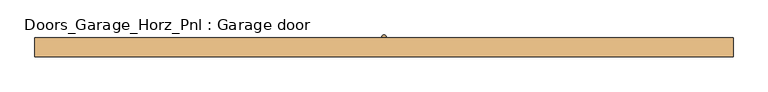
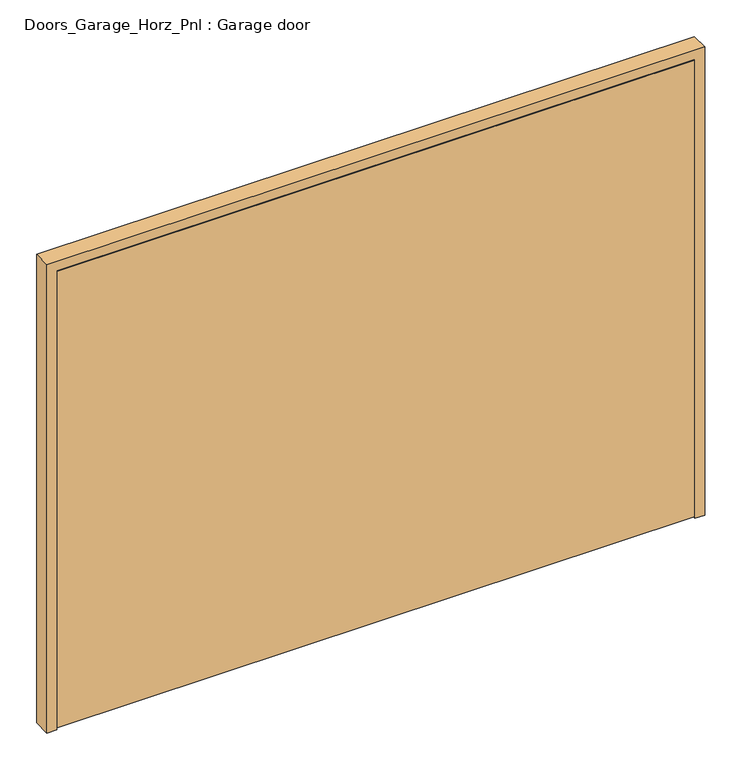
"""IFC4 building model written with IfcOpenShell, lengths in millimetres: door geometry, Doors_Garage_Horz_Pnl : Garage door."""

import ifcopenshell
import ifcopenshell.guid

model = None  # the IFC model being written
_history = None  # IfcOwnerHistory: only IFC2X3 demands one
_inside = {}  # id of a spatial element -> (the spatial element, [elements in it])
_under = {}  # id of a project, library or spatial element -> (it, [spatial elements below it])
_declared = {}  # id of a project -> (the project, [libraries it declares])
_typed = {}  # id of a type object -> (the type object, [elements of that type])
_made_of = {}  # id of a material, layer set ... -> (it, [elements and type objects made of it])


def new_model(schema):
    """Start an empty IFC model of exactly this schema.

    Asked for "IFC4X3", IfcOpenShell would pick the latest addendum, in which some entities
    have other attributes; the version numbers below select the first issue.
    IFC2X3 requires an IfcOwnerHistory on every rooted entity: one is made here for all.
    """
    global model, _history
    if schema == "IFC4X3":
        model = ifcopenshell.file(schema_version=(4, 3, 0, 0))
    else:
        model = ifcopenshell.file(schema=schema)
    _inside.clear()
    _under.clear()
    _declared.clear()
    _typed.clear()
    _made_of.clear()
    _history = None
    if model.schema == "IFC2X3":
        org = make("IfcOrganization", Name="unknown")
        user = make(
            "IfcPersonAndOrganization",
            ThePerson=make("IfcPerson", FamilyName="unknown"),
            TheOrganization=org,
        )
        app = make(
            "IfcApplication",
            ApplicationDeveloper=org,
            Version="unknown",
            ApplicationFullName="unknown",
            ApplicationIdentifier="unknown",
        )
        _history = make(
            "IfcOwnerHistory",
            OwningUser=user,
            OwningApplication=app,
            ChangeAction="ADDED",
            CreationDate=0,
        )
    return model


def make(cls, **values):
    """One entity of the class cls with the attributes given. An attribute that is None is left unset."""
    return model.create_entity(
        cls, **{name: value for name, value in values.items() if value is not None}
    )


def rooted(cls, **values):
    """An entity with a GlobalId (a new one), such as an element, a storey or a relation."""
    return make(cls, GlobalId=ifcopenshell.guid.new(), OwnerHistory=_history, **values)


def si_unit(unit_type, name, prefix=None):
    """IfcSIUnit, for example si_unit("LENGTHUNIT", "METRE", prefix="MILLI")."""
    return make("IfcSIUnit", UnitType=unit_type, Prefix=prefix, Name=name)


def assignment(units):
    """IfcUnitAssignment: the units of a project."""
    return None if units is None else make("IfcUnitAssignment", Units=units)


def point(xyz):
    """IfcCartesianPoint."""
    return None if xyz is None else make("IfcCartesianPoint", Coordinates=xyz)


def direction(xyz):
    """IfcDirection."""
    return None if xyz is None else make("IfcDirection", DirectionRatios=xyz)


def frame(location, z_axis=None, x_axis=None):
    """IfcAxis2Placement3D, a coordinate frame: its origin and axes. An axis left out is left unset."""
    return make(
        "IfcAxis2Placement3D",
        Location=point(location),
        Axis=direction(z_axis),
        RefDirection=direction(x_axis),
    )


def frame_2d(location, x_axis=None):
    """IfcAxis2Placement2D, a coordinate frame in the plane: its origin and x axis."""
    return make(
        "IfcAxis2Placement2D", Location=point(location), RefDirection=direction(x_axis)
    )


def origin():
    """The frame at (0, 0, 0) with its axes left unset."""
    return frame((0.0, 0.0, 0.0))


def place(relative_to, where):
    """IfcLocalPlacement: puts the frame where relative to a parent placement (None: the world)."""
    return make(
        "IfcLocalPlacement", PlacementRelTo=relative_to, RelativePlacement=where
    )


def context(
    kind, dimensions, precision=None, world=None, true_north=None, identifier=None
):
    """IfcGeometricRepresentationContext, for example the 3D "Model" context."""
    return make(
        "IfcGeometricRepresentationContext",
        ContextIdentifier=identifier,
        ContextType=kind,
        CoordinateSpaceDimension=dimensions,
        Precision=precision,
        WorldCoordinateSystem=world,
        TrueNorth=true_north,
    )


def project(units=None, contexts=None):
    """IfcProject with its units and contexts."""
    return rooted(
        "IfcProject",
        Name="project",
        RepresentationContexts=contexts,
        UnitsInContext=assignment(units),
    )


def spatial(cls, under=None, at=None, **own):
    """A site, building, storey or space (cls), placed at a placement, below another one or the project."""
    s = rooted(cls, ObjectPlacement=at, **own)
    if under is not None:
        _under.setdefault(under.id(), (under, []))[1].append(s)
    return s


def polyline(points):
    """IfcPolyline through the points."""
    return make("IfcPolyline", Points=[point(p) for p in points])


def circle_curve(where, radius):
    """IfcCircle in the frame where."""
    return make("IfcCircle", Position=where, Radius=radius)


def ellipse_curve(where, semi_axis1, semi_axis2):
    """IfcEllipse in the frame where."""
    return make(
        "IfcEllipse", Position=where, SemiAxis1=semi_axis1, SemiAxis2=semi_axis2
    )


def trimmed(basis, trim1, trim2, sense, master):
    """IfcTrimmedCurve: the piece of a basis curve between two trims."""
    return make(
        "IfcTrimmedCurve",
        BasisCurve=basis,
        Trim1=trim1,
        Trim2=trim2,
        SenseAgreement=sense,
        MasterRepresentation=master,
    )


def segment(curve, same_sense, transition):
    """IfcCompositeCurveSegment."""
    return make(
        "IfcCompositeCurveSegment",
        Transition=transition,
        SameSense=same_sense,
        ParentCurve=curve,
    )


def composite_curve(segments, self_intersect=None):
    """IfcCompositeCurve: segments joined end to end."""
    return make("IfcCompositeCurve", Segments=segments, SelfIntersect=self_intersect)


def outline(outer, holes=None, kind="AREA"):
    """IfcArbitraryClosedProfileDef: a profile drawn as a closed curve; with holes, ...WithVoids."""
    if holes is None:
        return make("IfcArbitraryClosedProfileDef", ProfileType=kind, OuterCurve=outer)
    return make(
        "IfcArbitraryProfileDefWithVoids",
        ProfileType=kind,
        OuterCurve=outer,
        InnerCurves=holes,
    )


def extrude(swept, where, along, depth):
    """IfcExtrudedAreaSolid: the profile swept, set in the frame where, extruded along a direction by depth."""
    return make(
        "IfcExtrudedAreaSolid",
        SweptArea=swept,
        Position=where,
        ExtrudedDirection=direction(along),
        Depth=depth,
    )


def faces_of(points, faces, orient=None, outer=None):
    """IfcFace entities. A face is a list of loops; a loop is a list of indices into points, from 0.

    orient and outer hold one flag for each loop. By default every Orientation is true, the
    first loop of a face is its IfcFaceOuterBound and the others are IfcFaceBound.
    """
    made = []
    for i, loops in enumerate(faces):
        bounds = []
        for j, loop in enumerate(loops):
            is_outer = j == 0 if outer is None else outer[i][j]
            bounds.append(
                make(
                    "IfcFaceOuterBound" if is_outer else "IfcFaceBound",
                    Bound=make("IfcPolyLoop", Polygon=[points[k] for k in loop]),
                    Orientation=True if orient is None else orient[i][j],
                )
            )
        made.append(make("IfcFace", Bounds=bounds))
    return made


def faceted_brep(points, faces, orient=None, outer=None, voids=None):
    """IfcFacetedBrep: a solid bounded by flat faces; with voids (closed shells), ...WithVoids."""
    shared = [point(p) for p in points]
    hull = make("IfcClosedShell", CfsFaces=faces_of(shared, faces, orient, outer))
    if voids is None:
        return make("IfcFacetedBrep", Outer=hull)
    return make(
        "IfcFacetedBrepWithVoids",
        Outer=hull,
        Voids=[
            make(cls, CfsFaces=faces_of(shared, fs, o, b)) for cls, fs, o, b in voids
        ],
    )


def shape(context_of_items, identifier, shape_type, items):
    """IfcShapeRepresentation: the items that make up one representation, for example the "Body"."""
    return make(
        "IfcShapeRepresentation",
        ContextOfItems=context_of_items,
        RepresentationIdentifier=identifier,
        RepresentationType=shape_type,
        Items=items,
    )


def source(mapping_origin, context_of_items, identifier, shape_type, items):
    """IfcRepresentationMap: a shape defined once, which mapped items show again and again."""
    return make(
        "IfcRepresentationMap",
        MappingOrigin=mapping_origin,
        MappedRepresentation=shape(context_of_items, identifier, shape_type, items),
    )


def transform(
    local_origin,
    x_axis=None,
    y_axis=None,
    z_axis=None,
    scale=None,
    scale2=None,
    scale3=None,
    uniform=True,
):
    """IfcCartesianTransformationOperator3D, or its non-uniform kind. x_axis, y_axis, z_axis: its Axis1, 2, 3."""
    if uniform:
        return make(
            "IfcCartesianTransformationOperator3D",
            Axis1=direction(x_axis),
            Axis2=direction(y_axis),
            LocalOrigin=point(local_origin),
            Scale=scale,
            Axis3=direction(z_axis),
        )
    return make(
        "IfcCartesianTransformationOperator3DnonUniform",
        Axis1=direction(x_axis),
        Axis2=direction(y_axis),
        LocalOrigin=point(local_origin),
        Scale=scale,
        Axis3=direction(z_axis),
        Scale2=scale2,
        Scale3=scale3,
    )


def mapped(mapping_source, mapping_target):
    """IfcMappedItem: shows the shape of a source again, moved by a transform."""
    return make(
        "IfcMappedItem", MappingSource=mapping_source, MappingTarget=mapping_target
    )


def made_of(thing, what):
    """Note that an element or type object is made of a material, layer set ...; save() writes the relation."""
    if what is not None:
        _made_of.setdefault(what.id(), (what, []))[1].append(thing)
    return thing


def element(
    cls,
    number,
    at=None,
    inside=None,
    cuts=None,
    type_object=None,
    material=None,
    context=None,
    identifier="Body",
    shape_type=None,
    held_by="IfcProductDefinitionShape",
    body=None,
    shapes=None,
    **own,
):
    """One element of the class cls, such as IfcWall. Its Tag is "e" and its number.

    at: its placement. inside: the storey or other place that contains it. cuts: it is an
    opening in that element (IfcRelVoidsElement). A single representation is given by context,
    identifier, shape_type and body (its items); several are given by shapes. held_by: the class
    of the entity that holds the representations. save() writes the other relations.
    """
    e = rooted(cls, Tag="e%d" % number, ObjectPlacement=at, **own)
    if body is not None:
        shapes = [shape(context, identifier, shape_type, body)]
    if shapes is not None:
        e.Representation = make(held_by, Representations=shapes)
    if inside is not None:
        _inside.setdefault(inside.id(), (inside, []))[1].append(e)
    if cuts is not None:
        rooted(
            "IfcRelVoidsElement", RelatingBuildingElement=cuts, RelatedOpeningElement=e
        )
    if type_object is not None:
        _typed.setdefault(type_object.id(), (type_object, []))[1].append(e)
    return made_of(e, material)


def aggregate(whole, parts):
    """IfcRelAggregates: a whole, such as a stair, and the parts it consists of."""
    return rooted("IfcRelAggregates", RelatingObject=whole, RelatedObjects=parts)


def save(model, path):
    """Write the relations noted so far, then the file.

    IfcRelAggregates (storeys below a building ...), IfcRelContainedInSpatialStructure (elements
    in a storey), IfcRelDefinesByType, IfcRelAssociatesMaterial and IfcRelDeclares: one each for
    every whole, place, type object, material and project.
    """
    for whole, parts in _under.values():
        aggregate(whole, parts)
    for where, things in _inside.values():
        rooted(
            "IfcRelContainedInSpatialStructure",
            RelatedElements=things,
            RelatingStructure=where,
        )
    for kind, things in _typed.values():
        rooted("IfcRelDefinesByType", RelatedObjects=things, RelatingType=kind)
    for what, things in _made_of.values():
        rooted("IfcRelAssociatesMaterial", RelatedObjects=things, RelatingMaterial=what)
    for by, libraries in _declared.values():
        rooted("IfcRelDeclares", RelatingContext=by, RelatedDefinitions=libraries)
    model.write(path)


def plane_surface(at):
    """IfcPlane: the flat surface through the origin of the frame at, square to its z axis."""
    return make("IfcPlane", Position=at)


def revolved_surface(curve, axis_point, axis_direction):
    """IfcSurfaceOfRevolution: the curve turned about the line through axis_point along axis_direction."""
    return make(
        "IfcSurfaceOfRevolution",
        SweptCurve=make("IfcArbitraryOpenProfileDef", ProfileType="CURVE", Curve=curve),
        AxisPosition=make("IfcAxis1Placement", Location=point(axis_point), Axis=direction(axis_direction)),
    )


def advanced_brep(points, edges, surfaces, faces):
    """IfcAdvancedBrep: a solid bounded by faces that lie on surfaces and meet in shared edges.

    An edge is (start, end): straight between two places in points (the first is 0);
    or (start, end, curve); or (start, end, curve, False) where it runs against its curve.
    A face is (place in surfaces, loops), or (place, loops, False) where it looks against
    its surface's normal. A loop lists edges by number (the first is 1), with a minus sign
    where the edge is run from its end to its start. The first loop is the outer one.
    """
    corners = [point(p) for p in points]
    vertices = [make("IfcVertexPoint", VertexGeometry=c) for c in corners]
    made = []
    for start, end, *more in edges:
        made.append(
            make(
                "IfcEdgeCurve",
                EdgeStart=vertices[start],
                EdgeEnd=vertices[end],
                EdgeGeometry=more[0] if more else make("IfcPolyline", Points=[corners[start], corners[end]]),
                SameSense=more[1] if len(more) > 1 else True,
            )
        )
    hull = []
    for where, loops, *sense in faces:
        bounds = []
        for j, loop in enumerate(loops):
            ring = [make("IfcOrientedEdge", EdgeElement=made[abs(k) - 1], Orientation=k > 0) for k in loop]
            bounds.append(
                make(
                    "IfcFaceOuterBound" if j == 0 else "IfcFaceBound",
                    Bound=make("IfcEdgeLoop", EdgeList=ring),
                    Orientation=True,
                )
            )
        hull.append(make("IfcAdvancedFace", Bounds=bounds, FaceSurface=surfaces[where], SameSense=sense[0] if sense else True))
    return make("IfcAdvancedBrep", Outer=make("IfcClosedShell", CfsFaces=hull))


def doors_garage_horz_pnl_garage_door_50255b00(model_context):
    return source(origin(), model_context, "Body", "SolidModel", [
        extrude(outline(composite_curve([segment(trimmed(circle_curve(frame_2d((900.0, 494.5)), 20.0), [point((900.0, 474.5))], [point((900.0, 514.5))], False, "CARTESIAN"), True, "CONTINUOUS"), segment(trimmed(circle_curve(frame_2d((900.0, 494.5)), 20.0), [point((900.0, 514.5))], [point((900.0, 474.5))], False, "CARTESIAN"), True, "CONTINUOUS")], self_intersect=False)), frame((0.0, 80.0, 0.0), z_axis=(0.0, 1.0, 0.0), x_axis=(0.0, 0.0, 1.0)), (0.0, 0.0, 1.0), 3.0),
        advanced_brep(
        [(494.5, 113.0, 843.6641808), (496.3492572, 113.0, 845.2113613), (505.4509795, 113.0, 899.2132014), (496.0, 113.0, 908.6641808), (494.5, 113.0, 908.6641808), (493.0, 113.0, 908.6641808), (483.5490205, 113.0, 899.2132014), (492.6507428, 113.0, 845.2113613)],
        [
            (0, 1, circle_curve(frame((494.1345333, 113.0, 845.979749), z_axis=(0.0, -1.0000000000000002, 0.0), x_axis=(0.0, 0.0, -1.0)), 2.3442316)),
            (1, 2, circle_curve(frame((340.6997375, 113.0, 899.2132014), z_axis=(0.0, -1.0000000000000002, 0.0), x_axis=(0.0, 0.0, -1.0)), 164.7512419)),
            (2, 3, circle_curve(frame((496.0, 113.0, 899.2132014), z_axis=(0.0, -1.0000000000000002, 0.0), x_axis=(0.0, 0.0, -1.0)), 9.4509795)),
            (3, 4),
            (4, 0),
            (4, 5),
            (5, 6, circle_curve(frame((493.0, 113.0, 899.2132014), z_axis=(0.0, -1.0000000000000002, 0.0), x_axis=(0.0, 0.0, -1.0)), 9.4509795)),
            (6, 7, circle_curve(frame((648.3002625, 113.0, 899.2132014), z_axis=(0.0, -1.0000000000000002, 0.0), x_axis=(0.0, 0.0, -1.0)), 164.7512419)),
            (7, 0, circle_curve(frame((494.8654667, 113.0, 845.979749), z_axis=(0.0, -1.0000000000000002, 0.0), x_axis=(0.0, 0.0, -1.0)), 2.3442316)),
            (7, 1, circle_curve(frame((494.5, 113.0, 845.2113613), z_axis=(0.0, 0.0, -1.0), x_axis=(1.0000000000000002, 0.0, 0.0)), 1.8492572)),
            (6, 2, circle_curve(frame((494.5, 113.0, 899.2132014), z_axis=(0.0, 0.0, -1.0), x_axis=(1.0000000000000002, 0.0, 0.0)), 10.9509795)),
            (5, 3, circle_curve(frame((494.5, 113.0, 908.6641808), z_axis=(0.0, 0.0, -1.0), x_axis=(1.0000000000000002, 0.0, 0.0)), 1.5)),
        ],
        [
            plane_surface(frame((494.5, 113.0, 853.0919868), z_axis=(0.0, -1.0, 0.0), x_axis=(1.0, 0.0, 0.0))),
            plane_surface(frame((494.5, 113.0, 853.0919868), z_axis=(0.0, -1.0, 0.0), x_axis=(-1.0, 0.0, 0.0))),
            revolved_surface(trimmed(ellipse_curve(frame((494.1345333, 113.0, 845.979749), z_axis=(0.0, -1.0000000000000002, 0.0), x_axis=(0.0, 0.0, -1.0)), 2.3442316, 2.3442316), [point((494.5, 113.0, 843.6641808))], [point((496.3492572, 113.0, 845.2113613))], True, "CARTESIAN"), (494.5, 113.0, 853.0919868), (0.0, 0.0, 1.0)),
            revolved_surface(trimmed(ellipse_curve(frame((340.6997375, 113.0, 899.2132014), z_axis=(0.0, -1.0000000000000002, 0.0), x_axis=(0.0, 0.0, -1.0)), 164.7512419, 164.7512419), [point((496.3492572, 113.0, 845.2113613))], [point((505.4509795, 113.0, 899.2132014))], True, "CARTESIAN"), (494.5, 113.0, 853.0919868), (0.0, 0.0, 1.0)),
            revolved_surface(trimmed(ellipse_curve(frame((496.0, 113.0, 899.2132014), z_axis=(0.0, -1.0000000000000002, 0.0), x_axis=(0.0, 0.0, -1.0)), 9.4509795, 9.4509795), [point((505.4509795, 113.0, 899.2132014))], [point((496.0, 113.0, 908.6641808))], True, "CARTESIAN"), (494.5, 113.0, 853.0919868), (0.0, 0.0, 1.0)),
            plane_surface(frame((494.5, 113.0, 908.6641808), z_axis=(0.0, 0.0, 1.0), x_axis=(1.0, 0.0, 0.0))),
        ],
        [
            (0, [[1, 2, 3, 4, 5]]),
            (1, [[6, 7, 8, 9, -5]]),
            (2, [[10, -1, -9]]),
            (3, [[11, -2, -10, -8]]),
            (4, [[12, -3, -11, -7]]),
            (5, [[-4, -12, -6]]),
        ],
    ),
        extrude(outline(composite_curve([segment(trimmed(circle_curve(frame_2d((900.0, 494.5)), 7.0), [point((900.0, 501.5))], [point((900.0, 487.5))], False, "CARTESIAN"), True, "CONTINUOUS"), segment(trimmed(circle_curve(frame_2d((900.0, 494.5)), 7.0), [point((900.0, 487.5))], [point((900.0, 501.5))], False, "CARTESIAN"), True, "CONTINUOUS")], self_intersect=False)), frame((0.0, 83.0, 0.0), z_axis=(0.0, 1.0, 0.0), x_axis=(0.0, 0.0, 1.0)), (0.0, 0.0, 1.0), 30.0),
        extrude(outline(polyline([(2073.0, 21.0), (-1084.0, 21.0), (-1084.0, 65.0), (2073.0, 65.0), (2073.0, 21.0)])), frame((0.0, 0.0, 10.0), z_axis=(0.0, 0.0, 1.0), x_axis=(1.0, 0.0, 0.0)), (0.0, 0.0, 1.0), 2392.5),
        faceted_brep([(2054.0, 110.0, 0.0), (2124.5, 110.0, 0.0), (2124.5, 21.0, 0.0), (2076.0, 21.0, 0.0), (2076.0, 68.0, 0.0), (2054.0, 68.0, 0.0), (2054.0, 110.0, 2383.5), (-1065.0, 110.0, 2383.5), (-1065.0, 110.0, 0.0), (-1135.5, 110.0, 0.0), (-1135.5, 110.0, 2454.0), (2124.5, 110.0, 2454.0), (2124.5, 21.0, 2454.0), (-1135.5, 21.0, 2454.0), (-1135.5, 21.0, 0.0), (-1087.0, 21.0, 0.0), (-1087.0, 21.0, 2405.5), (2076.0, 21.0, 2405.5), (2076.0, 68.0, 2405.5), (-1087.0, 68.0, 2405.5), (-1087.0, 68.0, 0.0), (-1065.0, 68.0, 0.0), (-1065.0, 68.0, 2383.5), (2054.0, 68.0, 2383.5)], [[[0, 1, 2, 3, 4, 5]], [[1, 0, 6, 7, 8, 9, 10, 11]], [[2, 1, 11, 12]], [[3, 2, 12, 13, 14, 15, 16, 17]], [[4, 3, 17, 18]], [[5, 4, 18, 19, 20, 21, 22, 23]], [[0, 5, 23, 6]], [[7, 22, 21, 8]], [[8, 21, 20, 15, 14, 9]], [[13, 10, 9, 14]], [[19, 16, 15, 20]], [[12, 11, 10, 13]], [[18, 17, 16, 19]], [[6, 23, 22, 7]]]),
    ])


if __name__ == "__main__":
    model = new_model("IFC4")
    model_context = context("Model", 3, world=origin())
    ifc_project = project(units=[si_unit("LENGTHUNIT", "METRE", prefix="MILLI")], contexts=[model_context])
    site = spatial("IfcSite", under=ifc_project)
    building = spatial("IfcBuilding", under=site)
    placement = place(None, origin())
    doors_garage_horz_pnl_garage_door_shape = doors_garage_horz_pnl_garage_door_50255b00(model_context)
    element("IfcDoor", 1, ObjectType="Doors_Garage_Horz_Pnl : Garage door", at=placement, inside=building, context=model_context, shape_type="MappedRepresentation", body=[
        mapped(doors_garage_horz_pnl_garage_door_shape, transform((0.0, 0.0, 0.0), x_axis=(1.0, 0.0, 0.0), y_axis=(0.0, 1.0, 0.0), z_axis=(0.0, 0.0, 1.0))),
    ])
    save(model, "model.ifc")
